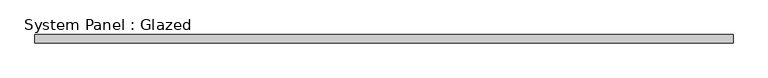
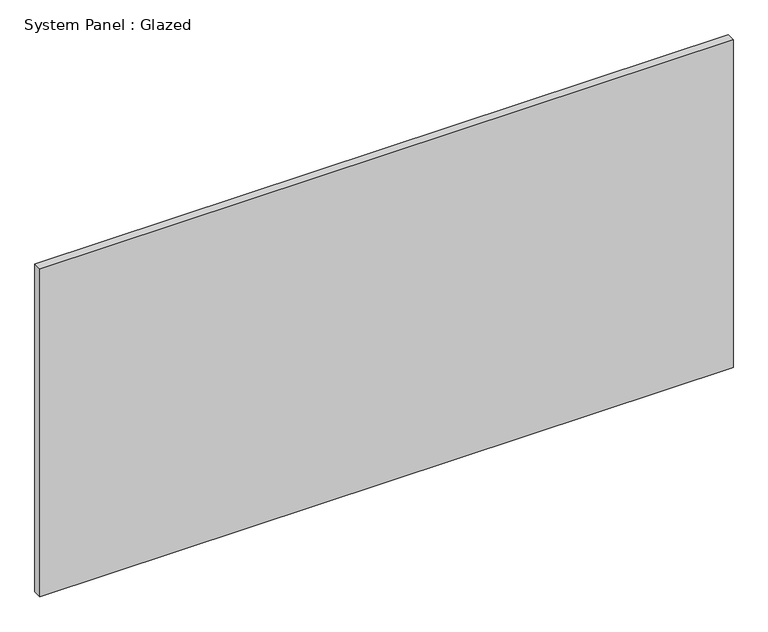
"""IFC4 building model written with IfcOpenShell, lengths in millimetres: plate geometry, System Panel : Glazed."""

from ifc_helpers import new_model, si_unit, origin, origin_with_axes, place, context, project, spatial, polyline, outline, extrude, source, transform, mapped, element, save


def system_panel_glazed_93fe6fa7(model_context):
    return source(origin(), model_context, "Body", "SweptSolid", [
        extrude(outline(polyline([(1035.05, 19.05), (-1035.05, 19.05), (-1035.05, 44.45), (1035.05, 44.45), (1035.05, 19.05)])), origin_with_axes(), (0.0, 0.0, 1.0), 1035.05),
    ])


if __name__ == "__main__":
    model = new_model("IFC4")
    model_context = context("Model", 3, world=origin())
    ifc_project = project(units=[si_unit("LENGTHUNIT", "METRE", prefix="MILLI")], contexts=[model_context])
    site = spatial("IfcSite", under=ifc_project)
    building = spatial("IfcBuilding", under=site)
    placement = place(None, origin())
    system_panel_glazed_shape = system_panel_glazed_93fe6fa7(model_context)
    element("IfcPlate", 1, ObjectType="System Panel : Glazed", at=placement, inside=building, context=model_context, shape_type="MappedRepresentation", body=[
        mapped(system_panel_glazed_shape, transform((0.0, 0.0, 0.0), x_axis=(1.0, 0.0, 0.0), y_axis=(0.0, 1.0, 0.0), z_axis=(0.0, 0.0, 1.0))),
    ])
    save(model, "model.ifc")
